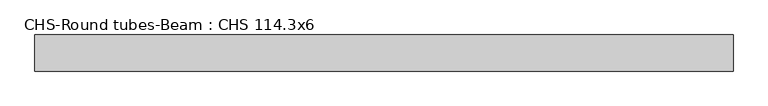
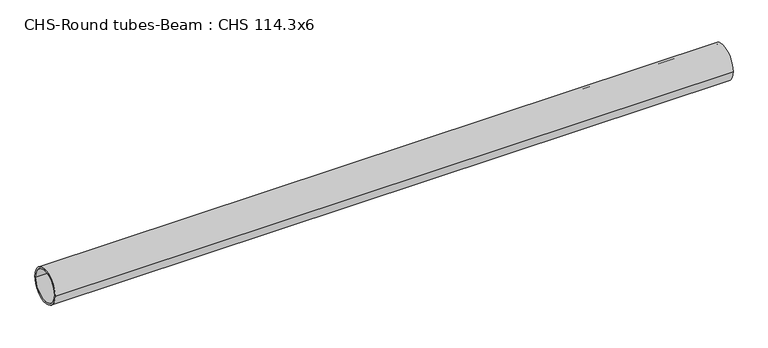
"""IFC4 building model written with IfcOpenShell, lengths in millimetres: beam geometry, CHS-Round tubes-Beam : CHS 114.3x6."""

from ifc_helpers import new_model, si_unit, point, frame, origin, origin_2d, place, context, project, spatial, circle_curve, trimmed, segment, composite_curve, outline, extrude, source, transform, mapped, element, save


def chs_round_tubes_beam_chs_114_3x6_6ca73763(model_context):
    return source(origin(), model_context, "Body", "SweptSolid", [
        extrude(outline(composite_curve([segment(trimmed(circle_curve(origin_2d(), 57.15), [point((57.15, 0.0))], [point((-57.15, 0.0))], False, "CARTESIAN"), True, "CONTINUOUS"), segment(trimmed(circle_curve(origin_2d(), 57.15), [point((-57.15, 0.0))], [point((57.15, 0.0))], False, "CARTESIAN"), True, "CONTINUOUS")], self_intersect=False), holes=[composite_curve([segment(trimmed(circle_curve(origin_2d(), 51.15), [point((51.15, 0.0))], [point((-51.15, 0.0))], True, "CARTESIAN"), True, "CONTINUOUS"), segment(trimmed(circle_curve(origin_2d(), 51.15), [point((-51.15, 0.0))], [point((51.15, 0.0))], True, "CARTESIAN"), True, "CONTINUOUS")], self_intersect=False)]), frame((-1063.281751, 0.0, 0.0), z_axis=(1.0, 0.0, 0.0), x_axis=(0.0, 1.0, 0.0)), (0.0, 0.0, 1.0), 2208.7084893),
    ])


if __name__ == "__main__":
    model = new_model("IFC4")
    model_context = context("Model", 3, world=origin())
    ifc_project = project(units=[si_unit("LENGTHUNIT", "METRE", prefix="MILLI")], contexts=[model_context])
    site = spatial("IfcSite", under=ifc_project)
    building = spatial("IfcBuilding", under=site)
    placement = place(None, origin())
    chs_round_tubes_beam_chs_114_3x6_shape = chs_round_tubes_beam_chs_114_3x6_6ca73763(model_context)
    element("IfcBeam", 1, ObjectType="CHS-Round tubes-Beam : CHS 114.3x6", at=placement, inside=building, context=model_context, shape_type="MappedRepresentation", body=[
        mapped(chs_round_tubes_beam_chs_114_3x6_shape, transform((0.0, 0.0, 0.0), x_axis=(1.0, 0.0, 0.0), y_axis=(0.0, 1.0, 0.0), z_axis=(0.0, 0.0, 1.0))),
    ])
    save(model, "model.ifc")
